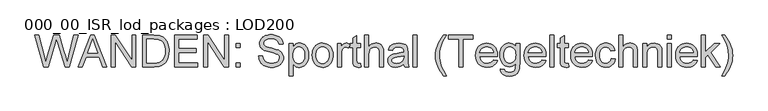
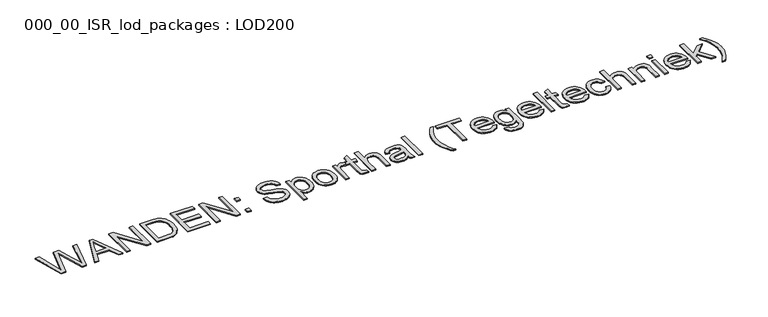
"""IFC4 building model written with IfcOpenShell, lengths in millimetres: proxy geometry, 000_00_ISR_lod_packages : LOD200."""

from ifc_helpers import new_model, si_unit, origin, origin_with_axes, place, context, project, spatial, polyline, outline, extrude, source, transform, mapped, element, save


def proxy_000_00_isr_lod_packages_lod200_6497121a(model_context):
    return source(origin(), model_context, "Body", "SweptSolid", [
        extrude(outline(polyline([(730.4878058, 500.0), (512.4904484, 1299.3886983), (615.5366478, 1299.3886983), (742.002438, 774.009212), (781.0350893, 611.8285459), (822.8000261, 755.2735394), (981.2725904, 1299.3886983), (1129.7918285, 1299.3886983), (1244.9381498, 904.9637571), (1294.2656629, 758.5913148), (1330.6148194, 611.8285459), (1368.4764911, 769.3252939), (1496.1132608, 1299.3886983), (1599.1594602, 1299.3886983), (1380.9669395, 500.0), (1274.2126383, 500.0), (1082.5623204, 1116.7158903), (1055.8249543, 1202.7828864), (1025.7698128, 1099.1511972), (851.0986983, 500.0), (730.4878058, 500.0)])), origin_with_axes(), (0.0, 0.0, 1.0), 25.0),
        extrude(outline(polyline([(1605.9901742, 500.0), (1925.0820985, 1299.3886983), (2010.1732783, 1299.3886983), (2329.2652025, 500.0), (2223.6818808, 500.0), (2132.1503135, 749.8089682), (1802.9098999, 749.8089682), (1711.5734959, 500.0), (1605.9901742, 500.0)]), holes=[polyline([(1839.6005921, 849.7325555), (2095.6547846, 849.7325555), (2023.639543, 1046.2619548), (1967.6276884, 1199.465111), (1917.861058, 1063.4363213), (1839.6005921, 849.7325555)])]), origin_with_axes(), (0.0, 0.0, 1.0), 25.0),
        extrude(outline(polyline([(2436.0195038, 500.0), (2436.0195038, 1299.3886983), (2542.9689683, 1299.3886983), (2960.6183371, 666.0839312), (2960.6183371, 1299.3886983), (3060.5419244, 1299.3886983), (3060.5419244, 500.0), (2953.5924599, 500.0), (2535.9430911, 1133.4999304), (2535.9430911, 500.0), (2436.0195038, 500.0)])), origin_with_axes(), (0.0, 0.0, 1.0), 25.0),
        extrude(outline(polyline([(3235.4082021, 500.0), (3235.4082021, 1299.3886983), (3511.1738835, 1299.3886983), (3593.5815685, 1296.5100403), (3653.8382239, 1287.8740662), (3686.9427913, 1278.3720552), (3717.5590272, 1265.6742458), (3745.6869315, 1249.7806381), (3771.3265043, 1230.6912321), (3800.9547262, 1202.099815), (3826.6064967, 1169.8002961), (3848.2818159, 1133.7926753), (3865.9806837, 1094.0769526), (3879.7274955, 1051.0190591), (3889.5466469, 1004.984926), (3895.4381377, 955.9745532), (3897.401968, 903.9879408), (3892.0837692, 818.1892942), (3876.129173, 742.6855094), (3851.8313476, 678.4036118), (3821.4834612, 626.2706269), (3786.5492383, 585.1155752), (3748.4924033, 553.7674771), (3704.8002293, 530.5186542), (3652.9599893, 513.661428), (3592.8741017, 503.415357), (3524.4449849, 500.0), (3235.4082021, 500.0)]), holes=[polyline([(3335.3317894, 599.9235873), (3512.1496998, 599.9235873), (3585.2871301, 603.5341075), (3640.7622857, 614.3656683), (3682.6248043, 631.7839889), (3714.9243232, 655.1547889), (3733.3611521, 675.1895169), (3749.6389874, 698.4078456), (3763.7578293, 724.8097749), (3775.7176776, 754.3953048), (3785.2379852, 787.2254238), (3792.0382049, 823.3611205), (3797.4783807, 905.5492469), (3794.8131824, 963.5615248), (3786.8175878, 1014.450344), (3773.4915967, 1058.2157042), (3754.8352091, 1094.8576056), (3732.3609404, 1125.205492), (3707.5813057, 1150.0888072), (3680.496305, 1169.5075512), (3651.1059383, 1183.461724), (3625.7103196, 1190.4632058), (3593.6303593, 1195.4642643), (3509.4174142, 1199.465111), (3335.3317894, 1199.465111), (3335.3317894, 599.9235873)])]), origin_with_axes(), (0.0, 0.0, 1.0), 25.0),
        extrude(outline(polyline([(4034.7969005, 500.0), (4034.7969005, 1299.3886983), (4609.3575274, 1299.3886983), (4609.3575274, 1199.465111), (4134.7204878, 1199.465111), (4134.7204878, 962.1465912), (4584.3766306, 962.1465912), (4584.3766306, 862.2230039), (4134.7204878, 862.2230039), (4134.7204878, 599.9235873), (4621.8479758, 599.9235873), (4621.8479758, 500.0), (4034.7969005, 500.0)])), origin_with_axes(), (0.0, 0.0, 1.0), 25.0),
        extrude(outline(polyline([(4771.7333568, 500.0), (4771.7333568, 1299.3886983), (4878.6828213, 1299.3886983), (5296.3321901, 666.0839312), (5296.3321901, 1299.3886983), (5396.2557773, 1299.3886983), (5396.2557773, 500.0), (5289.3063128, 500.0), (4871.6569441, 1133.4999304), (4871.6569441, 500.0), (4771.7333568, 500.0)])), origin_with_axes(), (0.0, 0.0, 1.0), 25.0),
        extrude(outline(polyline([(5583.6125035, 500.0), (5583.6125035, 599.9235873), (5683.5360908, 599.9235873), (5683.5360908, 500.0), (5583.6125035, 500.0)])), origin_with_axes(), (0.0, 0.0, 1.0), 25.0),
        extrude(outline(polyline([(5583.6125035, 987.1274881), (5583.6125035, 1087.0510753), (5683.5360908, 1087.0510753), (5683.5360908, 987.1274881), (5583.6125035, 987.1274881)])), origin_with_axes(), (0.0, 0.0, 1.0), 25.0),
        extrude(outline(polyline([(6158.1731305, 774.7898651), (6258.0967177, 774.7898651), (6269.5625591, 719.3391048), (6278.7718252, 695.6938565), (6290.2986551, 674.7686961), (6304.7285383, 656.1428028), (6322.6469648, 639.3953559), (6344.0539345, 624.5263553), (6368.9494474, 611.5358011), (6396.4186757, 600.9908864), (6425.5467918, 593.4588044), (6488.7796868, 587.4331389), (6544.4500057, 591.99508), (6593.192029, 605.6809034), (6632.6881931, 627.3440248), (6648.0999915, 640.7371033), (6660.6209341, 655.8378603), (6677.2342063, 688.5521011), (6682.7719637, 722.8764388), (6678.6247445, 756.3225419), (6666.1830869, 785.2310993), (6655.7174573, 798.0569845), (6640.9094452, 809.8948558), (6598.2662737, 830.6065564), (6545.4990082, 846.2928031), (6452.772066, 868.760973), (6357.2640474, 894.0102193), (6296.1535527, 918.0396953), (6269.4710763, 933.9576984), (6246.4113178, 951.6565662), (6226.9742772, 971.1362987), (6211.1599546, 992.396896), (6198.9073614, 1015.2187993), (6190.1555091, 1039.38245), (6184.9043977, 1064.887848), (6183.1540273, 1091.7349935), (6185.3191197, 1121.4912913), (6191.8143968, 1150.259575), (6202.6398587, 1178.0398448), (6217.7955053, 1204.8321006), (6237.1105688, 1229.5446479), (6260.4142814, 1251.0857924), (6287.7066431, 1269.4555339), (6318.9876538, 1284.6538725), (6353.2022121, 1296.56493), (6389.2952169, 1305.0728282), (6427.266668, 1310.1775671), (6467.1165654, 1311.8791468), (6510.5891808, 1310.098282), (6551.4270922, 1304.7556879), (6589.6302996, 1295.8513643), (6625.1988031, 1283.3853113), (6657.4739266, 1267.4673082), (6685.7969942, 1248.2071343), (6710.1680059, 1225.6047897), (6730.5869616, 1199.6602743), (6746.8952912, 1171.1298458), (6758.9344246, 1140.7697617), (6766.7043617, 1108.5800221), (6770.2051026, 1074.5606269), (6670.2815153, 1074.5606269), (6663.5971738, 1106.445424), (6651.9361692, 1134.1830018), (6635.2985016, 1157.7733604), (6613.684171, 1177.2164998), (6586.6906531, 1192.4148384), (6553.9154237, 1203.2707945), (6515.3584828, 1209.7843682), (6471.0198305, 1211.9555595), (6425.2662446, 1209.8087636), (6386.1726048, 1203.3683762), (6353.7389111, 1192.6343971), (6327.9651635, 1177.6068263), (6308.3268609, 1159.5420274), (6294.2995018, 1139.6963638), (6285.8830864, 1118.0698354), (6283.0776146, 1094.6624423), (6285.0658402, 1074.5240338), (6291.0305173, 1056.2640716), (6300.9716456, 1039.8825558), (6314.8892254, 1025.3794863), (6336.7963009, 1011.6448721), (6371.2914065, 997.7638855), (6478.0457077, 969.562795), (6588.215366, 942.776638), (6654.8636181, 919.4058381), (6685.4981505, 902.3412508), (6711.8268935, 883.1542632), (6733.8498473, 861.8448751), (6751.5670116, 838.4130867), (6765.1857476, 812.9808748), (6774.9134162, 785.6702166), (6780.7500173, 756.4811121), (6782.695551, 725.4135612), (6780.4572724, 694.1569459), (6773.7424366, 663.8151584), (6762.5510437, 634.3881986), (6746.8830935, 605.8760666), (6727.0130344, 579.3826546), (6703.2153149, 556.0118546), (6675.4899347, 535.7636667), (6643.8368941, 518.638091), (6609.1771195, 505.019355), (6572.4315376, 495.2916864), (6533.6001485, 489.4550853), (6492.682952, 487.5095516), (6441.5684753, 489.6075566), (6394.7841835, 495.9015716), (6352.3300763, 506.3915966), (6314.206154, 521.0776317), (6280.18066, 539.9840722), (6250.021838, 563.1353135), (6223.7296881, 590.5313556), (6201.3042101, 622.1721985), (6183.2394112, 657.0332352), (6170.0292983, 694.0898585), (6161.6738714, 733.3420685), (6158.1731305, 774.7898651)])), origin_with_axes(), (0.0, 0.0, 1.0), 25.0),
        extrude(outline(polyline([(6920.0904836, 275.1719286), (6920.0904836, 1087.0510753), (7020.0140709, 1087.0510753), (7020.0140709, 989.0791206), (7052.6063347, 1037.406422), (7070.366191, 1056.3921475), (7089.1018636, 1071.925923), (7109.3500515, 1084.0077483), (7131.6474535, 1092.6376236), (7155.9940698, 1097.8155487), (7182.3899002, 1099.5415238), (7217.2387392, 1097.1263785), (7249.9651777, 1089.8809426), (7280.5692159, 1077.8052161), (7309.0508536, 1060.899199), (7334.7880081, 1039.6020086), (7357.1585963, 1014.3527623), (7376.1626184, 985.1514601), (7391.8000744, 951.9981019), (7404.0099756, 916.0270742), (7412.7313336, 878.3727634), (7417.9641484, 839.0351695), (7419.70842, 798.0142926), (7417.7384909, 754.1574495), (7411.8287035, 712.5571817), (7401.9790579, 673.2134889), (7388.1895541, 636.1263714), (7370.6492564, 602.2655464), (7349.5472293, 572.6007314), (7324.8834728, 547.1319264), (7296.6579868, 525.8591315), (7266.2552108, 509.0811903), (7235.059584, 497.0969466), (7203.0711065, 489.9064003), (7170.2897783, 487.5095516), (7146.7055185, 489.1135496), (7124.3532268, 493.9255436), (7103.2329032, 501.9455337), (7083.3445476, 513.1735198), (7048.2395568, 542.2284496), (7020.0140709, 578.0653026), (7020.0140709, 275.1719286), (6920.0904836, 275.1719286)]), holes=[polyline([(7020.0140709, 788.8416195), (7022.7158622, 740.685086), (7030.8212362, 699.2616848), (7044.3301928, 664.571416), (7063.2427322, 636.6142795), (7086.0097458, 615.0975305), (7111.0821254, 599.728424), (7138.459871, 590.5069602), (7168.1429825, 587.4331389), (7198.2530136, 590.6167395), (7226.1308651, 600.1675414), (7251.7765367, 616.0855445), (7275.1900286, 638.3707488), (7294.7002554, 667.3402947), (7308.6361317, 703.3113224), (7316.9976575, 746.2838319), (7319.7848327, 796.2578233), (7317.0647448, 843.9996349), (7308.9044812, 885.3498498), (7295.3040418, 920.3084681), (7276.2634265, 948.8754898), (7253.4415232, 971.0753102), (7228.4972195, 986.9323248), (7201.4305154, 996.4465335), (7172.2414109, 999.6179365), (7143.1437891, 996.2452714), (7115.7660435, 986.1272764), (7090.1081742, 969.2639512), (7066.170181, 945.6552961), (7045.9768828, 915.6184511), (7031.5530984, 879.4705567), (7022.8988277, 837.2116129), (7020.0140709, 788.8416195)])]), origin_with_axes(), (0.0, 0.0, 1.0), 25.0),
        extrude(outline(polyline([(7507.1415589, 793.5255377), (7512.5451416, 869.5538238), (7519.2996199, 903.6250591), (7528.7558896, 935.0676894), (7540.9139505, 963.8817146), (7555.7738029, 990.0671346), (7573.3354465, 1013.6239495), (7593.5988815, 1034.5521594), (7631.6801119, 1062.9850063), (7673.7133983, 1083.2941827), (7719.6987406, 1095.4796885), (7769.6361388, 1099.5415238), (7824.7636599, 1094.595355), (7874.6095754, 1079.7568486), (7919.1738852, 1055.0260047), (7958.4565894, 1020.4028233), (7990.5182531, 977.0582838), (8013.4194415, 926.1633658), (8027.1601545, 867.7180694), (8031.7403922, 801.7223944), (8029.7155734, 748.2354645), (8023.641117, 700.7742001), (8013.5170231, 659.3386012), (7999.3432916, 623.9286678), (7981.2967893, 593.3429262), (7959.5543827, 566.3799026), (7934.116072, 543.0395969), (7904.9818571, 523.3220091), (7873.2861245, 507.654059), (7840.1632606, 496.462666), (7805.6132654, 489.7478302), (7769.6361388, 487.5095516), (7713.7035693, 492.4374238), (7663.3941411, 507.2210405), (7618.7078542, 531.8604016), (7579.6447087, 566.3555072), (7547.9245806, 610.1208674), (7525.2673463, 662.5709926), (7511.6730058, 723.7058827), (7507.1415589, 793.5255377)]), holes=[polyline([(7607.0651462, 793.7207009), (7609.9560019, 745.253126), (7618.6285691, 703.286927), (7633.0828478, 667.822104), (7653.318838, 638.858657), (7677.9338037, 616.3599928), (7705.5250091, 600.2895184), (7736.0924541, 590.6472338), (7769.6361388, 587.4331389), (7803.0090557, 590.6655303), (7833.4545237, 600.3627046), (7860.9725428, 616.5246618), (7885.5631131, 639.1514018), (7905.7991033, 668.4014949), (7920.253382, 704.4335111), (7928.9259492, 747.2474505), (7931.8168049, 796.843313), (7928.9076526, 843.7739774), (7920.1801957, 884.642383), (7905.6344343, 919.44853), (7885.2703682, 948.1924184), (7860.5883152, 970.6910825), (7833.0885926, 986.7615569), (7802.7712004, 996.4038416), (7769.6361388, 999.6179365), (7736.0924541, 996.4160393), (7705.5250091, 986.8103478), (7677.9338037, 970.8008619), (7653.318838, 948.3875817), (7633.0828478, 919.5095186), (7618.6285691, 884.1056841), (7609.9560019, 842.1760782), (7607.0651462, 793.7207009)])]), origin_with_axes(), (0.0, 0.0, 1.0), 25.0),
        extrude(outline(polyline([(8144.1544279, 500.0), (8144.1544279, 1087.0510753), (8231.5875668, 1087.0510753), (8231.5875668, 1000.2034262), (8263.8870857, 1050.5555464), (8279.0854243, 1067.973867), (8293.6494823, 1080.2203614), (8323.5094606, 1094.7112332), (8356.1017244, 1099.5415238), (8380.8874579, 1097.6142866), (8405.8683548, 1091.8325751), (8431.0444148, 1082.1963893), (8456.4156382, 1068.7057292), (8423.0427213, 979.1257945), (8387.9133352, 994.494901), (8352.783949, 999.6179365), (8322.9483662, 994.6900642), (8296.2841863, 979.9064476), (8274.7430419, 956.3892752), (8260.2765655, 925.2607358), (8248.1276528, 869.4440444), (8244.0780152, 808.5531084), (8244.0780152, 500.0), (8144.1544279, 500.0)])), origin_with_axes(), (0.0, 0.0, 1.0), 25.0),
        extrude(outline(polyline([(8731.2055032, 583.3347105), (8743.6959517, 497.0725512), (8704.1266014, 489.9003015), (8668.9484244, 487.5095516), (8620.9870542, 491.6567708), (8585.2233874, 504.0984284), (8559.9497457, 523.2732183), (8543.4584506, 547.6198346), (8534.3833591, 589.4335623), (8531.3583287, 661.0096866), (8531.3583287, 987.1274881), (8456.4156382, 987.1274881), (8456.4156382, 1087.0510753), (8531.3583287, 1087.0510753), (8531.3583287, 1229.7154158), (8631.2819159, 1288.459556), (8631.2819159, 1087.0510753), (8731.2055032, 1087.0510753), (8731.2055032, 987.1274881), (8631.2819159, 987.1274881), (8631.2819159, 663.9371354), (8632.5992679, 631.0521267), (8636.5513239, 612.4140357), (8643.4552241, 602.0947785), (8653.6281088, 594.1662712), (8668.0457944, 589.116422), (8687.6840971, 587.4331389), (8731.2055032, 583.3347105)])), origin_with_axes(), (0.0, 0.0, 1.0), 25.0),
        extrude(outline(polyline([(8831.1290905, 500.0), (8831.1290905, 1299.3886983), (8931.0526778, 1299.3886983), (8931.0526778, 1005.4728342), (8967.7555677, 1046.6278859), (9008.971608, 1076.0243514), (9054.7007985, 1093.6622307), (9104.9431393, 1099.5415238), (9136.181458, 1097.9375257), (9165.2973764, 1093.1255317), (9192.2908943, 1085.1055416), (9217.1620118, 1073.8775555), (9239.2764482, 1059.8197022), (9257.9999232, 1043.3101105), (9273.3324365, 1024.3487804), (9285.2739882, 1002.9357118), (9294.2393003, 977.747454), (9300.6430947, 947.4605562), (9305.7661302, 871.5908402), (9305.7661302, 500.0), (9205.8425429, 500.0), (9205.8425429, 861.2471877), (9203.8543172, 894.9860356), (9197.8896402, 923.7970113), (9187.9485118, 947.6801148), (9174.0309321, 966.6353461), (9156.466239, 981.0652294), (9135.5837706, 991.3722889), (9111.3835268, 997.5565246), (9083.8655076, 999.6179365), (9041.637058, 994.0557837), (9001.9945215, 977.3693252), (8984.1980721, 965.2570056), (8969.1583036, 951.1686581), (8956.8752162, 935.1042825), (8947.3488097, 917.063879), (8935.1267108, 871.7372127), (8931.0526778, 811.8708838), (8931.0526778, 500.0), (8831.1290905, 500.0)])), origin_with_axes(), (0.0, 0.0, 1.0), 25.0),
        extrude(outline(polyline([(9817.874515, 574.9426905), (9770.1327034, 534.0071974), (9745.7311975, 518.8454519), (9720.9759582, 507.2210405), (9669.2820907, 492.4374238), (9613.9289121, 487.5095516), (9569.4377885, 490.4735935), (9530.4234337, 499.3657194), (9496.8858479, 514.1859292), (9468.8250309, 534.9342229), (9446.6679025, 560.2932485), (9430.8413821, 588.9456541), (9421.3454699, 620.8914397), (9418.1801659, 656.1306051), (9422.9616657, 697.5540063), (9437.306165, 735.171724), (9459.4327992, 767.3736613), (9487.5607035, 792.5497214), (9520.6164801, 811.5781389), (9557.526731, 825.3371485), (9643.9840536, 840.3647192), (9746.1520183, 856.172943), (9817.2890253, 874.7134523), (9817.874515, 896.9620636), (9816.1546389, 921.1867028), (9810.9950103, 941.5568677), (9802.3956293, 958.0725583), (9790.3564959, 970.7337745), (9769.5472137, 983.3705954), (9744.2003857, 992.396896), (9714.3160121, 997.8126763), (9679.8940928, 999.6179365), (9620.3692995, 994.8120413), (9597.3400353, 988.8046723), (9578.7995259, 980.3943557), (9563.5645942, 968.9224155), (9550.4520629, 953.7301758), (9539.461932, 934.8176365), (9530.5942016, 912.1847976), (9430.6706143, 924.675246), (9448.0157487, 979.3209578), (9459.8902131, 1002.2526404), (9473.8992756, 1022.2568742), (9490.6467225, 1039.7361834), (9510.7363402, 1055.0930921), (9534.1681287, 1068.3276004), (9560.942088, 1079.4397083), (9622.3453275, 1094.5160699), (9692.7748677, 1099.5415238), (9760.3257498, 1095.1015597), (9813.8736683, 1081.7816674), (9854.248067, 1061.7530382), (9882.2783897, 1037.1868633), (9900.8676898, 1006.8145815), (9912.9190209, 969.3676317), (9916.578332, 934.8237353), (9917.7981023, 881.9344928), (9917.7981023, 757.6154985), (9919.0666635, 649.3242866), (9922.872347, 584.0177819), (9930.3861324, 541.1062609), (9942.7789992, 500.0), (9842.8554119, 500.0), (9826.8520248, 534.7390596), (9817.874515, 574.9426905)]), holes=[polyline([(9817.874515, 774.7898651), (9750.7383548, 758.1521974), (9656.6696652, 744.1492338), (9604.8294252, 736.489076), (9570.7002508, 727.9506835), (9548.3296625, 716.8751687), (9531.7651811, 701.6036439), (9521.5191102, 683.3070886), (9518.1037532, 663.1564824), (9519.963903, 647.6288058), (9525.5443523, 633.4428766), (9534.8451013, 620.5986948), (9547.8661498, 609.0962603), (9564.4855208, 599.6186447), (9584.5812374, 592.8489192), (9635.201707, 587.4331389), (9688.8716025, 593.4100136), (9713.3645912, 600.881107), (9736.2962739, 611.3406378), (9774.7434354, 637.7608636), (9801.4808015, 669.2065433), (9813.3369693, 701.6036439), (9817.2890253, 746.4911929), (9817.874515, 774.7898651)])]), origin_with_axes(), (0.0, 0.0, 1.0), 25.0),
        extrude(outline(polyline([(10055.1930349, 500.0), (10055.1930349, 1299.3886983), (10155.1166222, 1299.3886983), (10155.1166222, 500.0), (10055.1930349, 500.0)])), origin_with_axes(), (0.0, 0.0, 1.0), 25.0),
        extrude(outline(polyline([(10817.110388, 275.1719286), (10776.7725824, 327.365902), (10739.679366, 383.8290716), (10705.8307387, 444.5614375), (10675.2267006, 509.5629996), (10649.8676749, 577.309045), (10631.7540852, 646.2748607), (10620.8859313, 716.4604468), (10617.2632134, 787.8658032), (10619.9711036, 850.6229879), (10628.0947741, 912.0384251), (10641.634225, 972.112115), (10660.5894563, 1030.8440575), (10689.400432, 1098.1997764), (10725.0909126, 1165.4091228), (10767.6608979, 1232.4720968), (10817.110388, 1299.3886983), (10892.0530784, 1299.3886983), (10833.2601474, 1204.3929833), (10798.5698786, 1141.1112974), (10766.6606862, 1065.9734437), (10742.3628608, 987.7129778), (10723.4808157, 887.7405997), (10717.1868007, 787.2803135), (10719.9190863, 723.2240734), (10728.115943, 659.180031), (10741.777371, 595.1481864), (10760.9033701, 531.1285394), (10785.4939404, 467.1210901), (10815.5490819, 403.1258386), (10851.0687946, 339.1427847), (10892.0530784, 275.1719286), (10817.110388, 275.1719286)])), origin_with_axes(), (0.0, 0.0, 1.0), 25.0),
        extrude(outline(polyline([(11204.3142887, 500.0), (11204.3142887, 1199.465111), (10942.0148721, 1199.465111), (10942.0148721, 1299.3886983), (11566.5372927, 1299.3886983), (11566.5372927, 1199.465111), (11304.237876, 1199.465111), (11304.237876, 500.0), (11204.3142887, 500.0)])), origin_with_axes(), (0.0, 0.0, 1.0), 25.0),
        extrude(outline(polyline([(12077.474698, 674.8662778), (12175.4466527, 662.3758294), (12160.4251808, 623.1358171), (12140.1464987, 588.5553276), (12114.6106064, 558.6343609), (12083.8175038, 533.3729168), (12048.0843314, 513.3076945), (12007.7282292, 498.9753929), (11962.7491975, 490.3760119), (11913.1472361, 487.5095516), (11851.1463091, 492.4557204), (11795.9029098, 507.2942267), (11747.4170383, 532.0250706), (11705.6886945, 566.6482521), (11672.1328121, 610.2001525), (11648.1643247, 661.7171534), (11633.7832322, 721.1992546), (11628.9895347, 788.6464563), (11633.832023, 858.3807273), (11648.3594879, 919.8449554), (11672.5719294, 973.0391405), (11688.3100164, 996.5349669), (11706.4693475, 1017.9632826), (11748.087912, 1053.6537631), (11795.4637925, 1079.1469635), (11848.596989, 1094.4428837), (11907.4875017, 1099.5415238), (11964.4812714, 1094.4550814), (12016.0226676, 1079.1957543), (12062.1116904, 1053.7635424), (12102.7483397, 1018.1584458), (12135.9199945, 973.3318854), (12159.6140336, 920.2352819), (12173.830457, 858.8686355), (12178.5692648, 789.231946), (12177.9837751, 762.2994166), (11728.913122, 762.2994166), (11734.7009323, 722.4251238), (11746.2094656, 687.5030986), (11763.4387219, 657.5333411), (11786.388701, 632.5158511), (11813.790842, 612.7921645), (11844.3765836, 598.7038169), (11878.1459258, 590.2508084), (11915.0988687, 587.4331389), (11968.280856, 592.653756), (12013.0708234, 608.3156073), (12032.3187996, 620.3059499), (12049.4687707, 635.3945091), (12064.5207369, 653.5812851), (12077.474698, 674.8662778)]), holes=[polyline([(11728.913122, 862.2230039), (12078.6456775, 862.2230039), (12073.5104444, 890.4972807), (12065.130622, 915.0146648), (12053.5062106, 935.7751562), (12038.63721, 952.7787549), (12011.3875403, 973.2708968), (11980.3809779, 987.9081411), (11945.6175229, 996.6904876), (11907.0971751, 999.6179365), (11871.9616901, 997.2820762), (11839.7414563, 990.2744956), (11810.4364735, 978.5951944), (11784.046742, 962.2441729), (11761.9018112, 941.9776884), (11745.331231, 918.5519988), (11734.3350012, 891.967104), (11728.913122, 862.2230039)])]), origin_with_axes(), (0.0, 0.0, 1.0), 25.0),
        extrude(outline(polyline([(12253.5119553, 450.0382064), (12353.4355426, 437.5477579), (12357.655948, 420.7149271), (12364.4622666, 406.3216369), (12373.8544983, 394.3678875), (12385.8326432, 384.8536787), (12405.2147941, 375.1199113), (12427.8415341, 368.1672203), (12482.8287816, 362.6050675), (12514.0305072, 364.1785712), (12541.4753402, 368.8990825), (12565.1632804, 376.7666013), (12585.094328, 387.7811276), (12601.6832048, 401.6377188), (12615.3446327, 418.0314323), (12626.0786118, 436.9622682), (12633.8851421, 458.4302264), (12639.3009225, 501.4149336), (12640.7158561, 574.9426905), (12607.4649163, 542.1552634), (12570.3595021, 518.7356726), (12529.3996137, 504.6839182), (12484.5852509, 500.0), (12429.7992655, 505.4523735), (12381.5634469, 521.8094939), (12359.9018502, 534.0773342), (12339.8777951, 549.0713613), (12304.7423101, 587.2379756), (12276.8644587, 633.0281547), (12256.9517077, 683.1607162), (12245.0040571, 737.6356601), (12241.0215069, 796.4529865), (12242.8084705, 837.6019394), (12248.1693612, 877.1285976), (12257.104179, 915.0329614), (12269.612924, 951.3150305), (12285.5065317, 984.7672324), (12304.5959377, 1014.1819945), (12326.881142, 1039.5593167), (12352.3621447, 1060.899199), (12380.6303226, 1077.8052161), (12411.2770527, 1089.8809426), (12444.302335, 1097.1263785), (12479.7061695, 1099.5415238), (12526.4355717, 1094.0769526), (12568.8469869, 1077.683239), (12606.940415, 1050.3603831), (12640.7158561, 1012.1083849), (12640.7158561, 1087.0510753), (12740.6394434, 1087.0510753), (12740.6394434, 580.2120984), (12738.9317649, 516.704755), (12733.8087294, 463.1873308), (12725.2703369, 419.6598257), (12713.3165875, 386.1222399), (12697.660835, 359.0738323), (12678.0164335, 335.0138621), (12654.3833829, 313.9423293), (12626.7616832, 295.8592338), (12595.4318817, 281.3439666), (12560.6745255, 270.9759186), (12522.4896146, 264.7550898), (12480.8771491, 262.6814802), (12431.9216659, 265.6028302), (12387.9062528, 274.3668802), (12348.8309095, 288.9736301), (12314.6956362, 309.4230801), (12287.1227274, 335.7396255), (12267.7344776, 367.9476616), (12256.5308869, 406.0471886), (12253.5119553, 450.0382064)]), holes=[polyline([(12340.9450942, 803.2837005), (12343.6102924, 753.8769024), (12351.6058871, 711.6301562), (12364.9318782, 676.543462), (12383.5882657, 648.6168198), (12406.2698954, 627.3135306), (12431.671613, 612.0968954), (12459.7934185, 602.9669143), (12490.6353119, 599.9235873), (12521.1722627, 602.9486178), (12549.1598934, 612.0237092), (12574.5982041, 627.1488616), (12597.4871948, 648.3240749), (12616.3997341, 675.9762688), (12629.9086907, 710.5323629), (12638.0140647, 751.9923572), (12640.7158561, 800.3562516), (12637.9347797, 846.7014262), (12629.5915505, 886.9843421), (12615.6861684, 921.2049993), (12596.2186336, 949.3633979), (12572.8356359, 971.3497585), (12547.1838654, 987.0543018), (12519.2633221, 996.4770278), (12489.0740058, 999.6179365), (12459.3908943, 996.5258186), (12432.0131487, 987.2494651), (12406.9407691, 971.7888759), (12384.1737555, 950.144051), (12365.2612162, 922.412572), (12351.7522595, 888.6920206), (12343.6468855, 848.9823968), (12340.9450942, 803.2837005)])]), origin_with_axes(), (0.0, 0.0, 1.0), 25.0),
        extrude(outline(polyline([(13301.5386423, 674.8662778), (13399.5105971, 662.3758294), (13384.4891252, 623.1358171), (13364.2104431, 588.5553276), (13338.6745507, 558.6343609), (13307.8814482, 533.3729168), (13272.1482757, 513.3076945), (13231.7921736, 498.9753929), (13186.8131418, 490.3760119), (13137.2111804, 487.5095516), (13075.2102534, 492.4557204), (13019.9668541, 507.2942267), (12971.4809826, 532.0250706), (12929.7526388, 566.6482521), (12896.1967564, 610.2001525), (12872.228269, 661.7171534), (12857.8471766, 721.1992546), (12853.0534791, 788.6464563), (12857.8959674, 858.3807273), (12872.4234323, 919.8449554), (12896.6358738, 973.0391405), (12912.3739607, 996.5349669), (12930.5332919, 1017.9632826), (12972.1518563, 1053.6537631), (13019.5277368, 1079.1469635), (13072.6609334, 1094.4428837), (13131.551446, 1099.5415238), (13188.5452157, 1094.4550814), (13240.086612, 1079.1957543), (13286.1756348, 1053.7635424), (13326.8122841, 1018.1584458), (13359.9839388, 973.3318854), (13383.6779779, 920.2352819), (13397.8944014, 858.8686355), (13402.6332092, 789.231946), (13402.0477194, 762.2994166), (12952.9770664, 762.2994166), (12958.7648767, 722.4251238), (12970.27341, 687.5030986), (12987.5026662, 657.5333411), (13010.4526454, 632.5158511), (13037.8547864, 612.7921645), (13068.4405279, 598.7038169), (13102.2098702, 590.2508084), (13139.162813, 587.4331389), (13192.3448004, 592.653756), (13237.1347677, 608.3156073), (13256.3827439, 620.3059499), (13273.532715, 635.3945091), (13288.5846812, 653.5812851), (13301.5386423, 674.8662778)]), holes=[polyline([(12952.9770664, 862.2230039), (13302.7096219, 862.2230039), (13297.5743887, 890.4972807), (13289.1945664, 915.0146648), (13277.5701549, 935.7751562), (13262.7011543, 952.7787549), (13235.4514846, 973.2708968), (13204.4449223, 987.9081411), (13169.6814672, 996.6904876), (13131.1611195, 999.6179365), (13096.0256345, 997.2820762), (13063.8054006, 990.2744956), (13034.5004179, 978.5951944), (13008.1106863, 962.2441729), (12985.9657555, 941.9776884), (12969.3951753, 918.5519988), (12958.3989456, 891.967104), (12952.9770664, 862.2230039)])]), origin_with_axes(), (0.0, 0.0, 1.0), 25.0),
        extrude(outline(polyline([(13502.5567965, 500.0), (13502.5567965, 1299.3886983), (13602.4803838, 1299.3886983), (13602.4803838, 500.0), (13502.5567965, 500.0)])), origin_with_axes(), (0.0, 0.0, 1.0), 25.0),
        extrude(outline(polyline([(13964.7033877, 583.3347105), (13977.1938361, 497.0725512), (13937.6244859, 489.9003015), (13902.4463089, 487.5095516), (13854.4849386, 491.6567708), (13818.7212719, 504.0984284), (13793.4476302, 523.2732183), (13776.956335, 547.6198346), (13767.8812436, 589.4335623), (13764.8562131, 661.0096866), (13764.8562131, 987.1274881), (13689.9135226, 987.1274881), (13689.9135226, 1087.0510753), (13764.8562131, 1087.0510753), (13764.8562131, 1229.7154158), (13864.7798004, 1288.459556), (13864.7798004, 1087.0510753), (13964.7033877, 1087.0510753), (13964.7033877, 987.1274881), (13864.7798004, 987.1274881), (13864.7798004, 663.9371354), (13866.0971524, 631.0521267), (13870.0492083, 612.4140357), (13876.9531085, 602.0947785), (13887.1259933, 594.1662712), (13901.5436788, 589.116422), (13921.1819815, 587.4331389), (13964.7033877, 583.3347105)])), origin_with_axes(), (0.0, 0.0, 1.0), 25.0),
        extrude(outline(polyline([(14475.640793, 674.8662778), (14573.6127478, 662.3758294), (14558.5912759, 623.1358171), (14538.3125938, 588.5553276), (14512.7767014, 558.6343609), (14481.9835989, 533.3729168), (14446.2504264, 513.3076945), (14405.8943243, 498.9753929), (14360.9152925, 490.3760119), (14311.3133311, 487.5095516), (14249.3124041, 492.4557204), (14194.0690048, 507.2942267), (14145.5831333, 532.0250706), (14103.8547895, 566.6482521), (14070.2989071, 610.2001525), (14046.3304197, 661.7171534), (14031.9493272, 721.1992546), (14027.1556298, 788.6464563), (14031.9981181, 858.3807273), (14046.525583, 919.8449554), (14070.7380245, 973.0391405), (14086.4761114, 996.5349669), (14104.6354426, 1017.9632826), (14146.254007, 1053.6537631), (14193.6298875, 1079.1469635), (14246.7630841, 1094.4428837), (14305.6535967, 1099.5415238), (14362.6473664, 1094.4550814), (14414.1887627, 1079.1957543), (14460.2777854, 1053.7635424), (14500.9144347, 1018.1584458), (14534.0860895, 973.3318854), (14557.7801286, 920.2352819), (14571.996552, 858.8686355), (14576.7353599, 789.231946), (14576.1498701, 762.2994166), (14127.079217, 762.2994166), (14132.8670274, 722.4251238), (14144.3755607, 687.5030986), (14161.6048169, 657.5333411), (14184.5547961, 632.5158511), (14211.956937, 612.7921645), (14242.5426786, 598.7038169), (14276.3120208, 590.2508084), (14313.2649637, 587.4331389), (14366.4469511, 592.653756), (14411.2369184, 608.3156073), (14430.4848946, 620.3059499), (14447.6348657, 635.3945091), (14462.6868319, 653.5812851), (14475.640793, 674.8662778)]), holes=[polyline([(14127.079217, 862.2230039), (14476.8117726, 862.2230039), (14471.6765394, 890.4972807), (14463.2967171, 915.0146648), (14451.6723056, 935.7751562), (14436.803305, 952.7787549), (14409.5536353, 973.2708968), (14378.547073, 987.9081411), (14343.7836179, 996.6904876), (14305.2632702, 999.6179365), (14270.1277852, 997.2820762), (14237.9075513, 990.2744956), (14208.6025686, 978.5951944), (14182.212837, 962.2441729), (14160.0679062, 941.9776884), (14143.497326, 918.5519988), (14132.5010963, 891.967104), (14127.079217, 862.2230039)])]), origin_with_axes(), (0.0, 0.0, 1.0), 25.0),
        extrude(outline(polyline([(15051.3723995, 712.337623), (15151.2959868, 699.8471746), (15140.427833, 652.6969516), (15123.4364319, 610.9747067), (15100.3217838, 574.6804398), (15071.0838884, 543.8141511), (15036.9547139, 519.1808888), (14999.1662284, 501.5857015), (14957.7184318, 491.0285891), (14912.6113242, 487.5095516), (14856.5689753, 492.4191273), (14806.3205357, 507.1478543), (14761.8660051, 531.6957326), (14723.2053838, 566.0627623), (14691.9121754, 609.602465), (14669.5598837, 661.6683625), (14656.1485087, 722.2604548), (14651.6780503, 791.3787419), (14653.5869909, 837.3213922), (14659.3138127, 880.3000006), (14668.8585158, 920.314567), (14682.2211, 957.3650914), (14699.4930482, 990.707514), (14720.7658431, 1019.5977748), (14746.0394848, 1044.0358739), (14775.3139733, 1064.0218111), (14807.2658577, 1079.5616854), (14840.5716872, 1090.6615956), (14875.2314617, 1097.3215417), (14911.2451814, 1099.5415238), (14955.5777349, 1096.4920979), (14995.6776852, 1087.3438202), (15031.5450324, 1072.0966908), (15063.1797765, 1050.7507096), (15090.0452185, 1023.7937849), (15111.6046595, 991.7138246), (15127.8580995, 954.5108288), (15138.8055384, 912.1847976), (15038.8819511, 899.6943492), (15031.0815197, 923.0346549), (15020.7561637, 943.2889416), (15007.905883, 960.4572093), (14992.5306777, 974.539458), (14975.0208743, 985.5112923), (14955.7667993, 993.3483169), (14934.7684526, 998.0505316), (14912.0258344, 999.6179365), (14878.0735266, 996.5319175), (14847.4511919, 987.2738605), (14820.1588303, 971.8437655), (14796.1964417, 950.2416326), (14776.6862149, 921.9673558), (14762.7503387, 886.5208294), (14754.3888129, 843.9020532), (14751.6016376, 794.1110274), (14754.3278244, 743.5698429), (14762.5063846, 700.4570598), (14776.1373183, 664.7726781), (14795.2206254, 636.5166979), (14818.7073036, 615.0426408), (14845.5483502, 599.7040286), (14875.7437653, 590.5008613), (14909.2935488, 587.4331389), (14936.3297587, 589.3481783), (14961.0362072, 595.0932967), (14983.4128943, 604.668494), (15003.4598201, 618.0737701), (15020.6158901, 635.4554977), (15034.32001, 656.960049), (15044.5721798, 682.5874241), (15051.3723995, 712.337623)])), origin_with_axes(), (0.0, 0.0, 1.0), 25.0),
        extrude(outline(polyline([(15238.7291257, 500.0), (15238.7291257, 1299.3886983), (15338.652713, 1299.3886983), (15338.652713, 1005.4728342), (15375.3556029, 1046.6278859), (15416.5716431, 1076.0243514), (15462.3008336, 1093.6622307), (15512.5431745, 1099.5415238), (15543.7814932, 1097.9375257), (15572.8974115, 1093.1255317), (15599.8909294, 1085.1055416), (15624.7620469, 1073.8775555), (15646.8764834, 1059.8197022), (15665.5999583, 1043.3101105), (15680.9324716, 1024.3487804), (15692.8740234, 1002.9357118), (15701.8393355, 977.747454), (15708.2431298, 947.4605562), (15713.3661653, 871.5908402), (15713.3661653, 500.0), (15613.442578, 500.0), (15613.442578, 861.2471877), (15611.4543524, 894.9860356), (15605.4896753, 923.7970113), (15595.548547, 947.6801148), (15581.6309672, 966.6353461), (15564.0662742, 981.0652294), (15543.1838057, 991.3722889), (15518.9835619, 997.5565246), (15491.4655428, 999.6179365), (15449.2370931, 994.0557837), (15409.5945567, 977.3693252), (15391.7981072, 965.2570056), (15376.7583388, 951.1686581), (15364.4752513, 935.1042825), (15354.9488449, 917.063879), (15342.726746, 871.7372127), (15338.652713, 811.8708838), (15338.652713, 500.0), (15238.7291257, 500.0)])), origin_with_axes(), (0.0, 0.0, 1.0), 25.0),
        extrude(outline(polyline([(15850.7610978, 500.0), (15850.7610978, 1087.0510753), (15950.6846851, 1087.0510753), (15950.6846851, 1005.0825076), (15967.1698815, 1027.2213395), (15985.3993494, 1046.4083272), (16005.3730889, 1062.6434706), (16027.0911, 1075.9267697), (16050.5533828, 1086.2582246), (16075.7599371, 1093.6378352), (16131.4058606, 1099.5415238), (16180.6601874, 1094.7844194), (16225.7672951, 1080.5131063), (16263.3850128, 1058.5084491), (16290.1711697, 1030.5513126), (16308.345748, 996.714883), (16320.1287296, 957.0723466), (16324.0807855, 919.161884), (16325.3981375, 860.4665346), (16325.3981375, 500.0), (16225.4745502, 500.0), (16225.4745502, 847.0002699), (16222.5958922, 898.6697421), (16213.9599181, 935.4092251), (16198.0297173, 961.7318693), (16173.2683791, 982.150825), (16141.5299545, 995.2511586), (16104.6684945, 999.6179365), (16074.3267069, 997.1661981), (16046.1439129, 989.8109828), (16020.1201125, 977.5522908), (15996.2553055, 960.3901219), (15976.3181591, 936.3728437), (15962.0773402, 903.5488235), (15953.5328489, 861.9180613), (15950.6846851, 811.4805573), (15950.6846851, 500.0), (15850.7610978, 500.0)])), origin_with_axes(), (0.0, 0.0, 1.0), 25.0),
        extrude(outline(polyline([(16462.79307, 500.0), (16462.79307, 1087.0510753), (16562.7166573, 1087.0510753), (16562.7166573, 500.0), (16462.79307, 500.0)])), origin_with_axes(), (0.0, 0.0, 1.0), 25.0),
        extrude(outline(polyline([(16462.79307, 1199.465111), (16462.79307, 1299.3886983), (16562.7166573, 1299.3886983), (16562.7166573, 1199.465111), (16462.79307, 1199.465111)])), origin_with_axes(), (0.0, 0.0, 1.0), 25.0),
        extrude(outline(polyline([(17123.6158563, 674.8662778), (17221.587811, 662.3758294), (17206.5663391, 623.1358171), (17186.287657, 588.5553276), (17160.7517647, 558.6343609), (17129.9586621, 533.3729168), (17094.2254896, 513.3076945), (17053.8693875, 498.9753929), (17008.8903558, 490.3760119), (16959.2883944, 487.5095516), (16897.2874674, 492.4557204), (16842.0440681, 507.2942267), (16793.5581966, 532.0250706), (16751.8298528, 566.6482521), (16718.2739704, 610.2001525), (16694.305483, 661.7171534), (16679.9243905, 721.1992546), (16675.130693, 788.6464563), (16679.9731813, 858.3807273), (16694.5006462, 919.8449554), (16718.7130877, 973.0391405), (16734.4511747, 996.5349669), (16752.6105058, 1017.9632826), (16794.2290703, 1053.6537631), (16841.6049508, 1079.1469635), (16894.7381473, 1094.4428837), (16953.6286599, 1099.5415238), (17010.6224297, 1094.4550814), (17062.1638259, 1079.1957543), (17108.2528487, 1053.7635424), (17148.889498, 1018.1584458), (17182.0611527, 973.3318854), (17205.7551918, 920.2352819), (17219.9716153, 858.8686355), (17224.7104231, 789.231946), (17224.1249334, 762.2994166), (16775.0542803, 762.2994166), (16780.8420906, 722.4251238), (16792.3506239, 687.5030986), (16809.5798801, 657.5333411), (16832.5298593, 632.5158511), (16859.9320003, 612.7921645), (16890.5177419, 598.7038169), (16924.2870841, 590.2508084), (16961.2400269, 587.4331389), (17014.4220143, 592.653756), (17059.2119817, 608.3156073), (17078.4599578, 620.3059499), (17095.609929, 635.3945091), (17110.6618951, 653.5812851), (17123.6158563, 674.8662778)]), holes=[polyline([(16775.0542803, 862.2230039), (17124.7868358, 862.2230039), (17119.6516026, 890.4972807), (17111.2717803, 915.0146648), (17099.6473689, 935.7751562), (17084.7783683, 952.7787549), (17057.5286986, 973.2708968), (17026.5221362, 987.9081411), (16991.7586812, 996.6904876), (16953.2383334, 999.6179365), (16918.1028484, 997.2820762), (16885.8826146, 990.2744956), (16856.5776318, 978.5951944), (16830.1879002, 962.2441729), (16808.0429695, 941.9776884), (16791.4723893, 918.5519988), (16780.4761595, 891.967104), (16775.0542803, 862.2230039)])]), origin_with_axes(), (0.0, 0.0, 1.0), 25.0),
        extrude(outline(polyline([(17324.6340104, 500.0), (17324.6340104, 1299.3886983), (17424.5575977, 1299.3886983), (17424.5575977, 869.8343709), (17648.6050161, 1087.0510753), (17786.7806016, 1087.0510753), (17560.0008977, 867.1020853), (17799.2710501, 500.0), (17682.5634227, 500.0), (17488.3759826, 797.6239661), (17424.5575977, 735.7572138), (17424.5575977, 500.0), (17324.6340104, 500.0)])), origin_with_axes(), (0.0, 0.0, 1.0), 25.0),
        extrude(outline(polyline([(17911.6850858, 275.1719286), (17836.7423953, 275.1719286), (17877.7266791, 339.1427847), (17913.2463918, 403.1258386), (17943.3015333, 467.1210901), (17967.8921036, 531.1285394), (17987.0181027, 595.1481864), (18000.6795307, 659.180031), (18008.8763875, 723.2240734), (18011.6086731, 787.2803135), (18005.314658, 887.0087375), (17986.432613, 985.9565085), (17962.5739049, 1064.3633468), (17930.8110849, 1139.5499913), (17895.9744436, 1203.5147486), (17836.7423953, 1299.3886983), (17911.6850858, 1299.3886983), (17961.1345759, 1232.4720968), (18003.7045612, 1165.4091228), (18039.3950417, 1098.1997764), (18068.2060174, 1030.8440575), (18087.1612487, 972.112115), (18100.7006996, 912.0384251), (18108.8243702, 850.6229879), (18111.5322603, 787.8658032), (18107.8912458, 716.4604468), (18096.9682023, 646.2748607), (18078.7631298, 577.309045), (18053.2760283, 509.5629996), (18022.5805074, 444.5614375), (17988.7501766, 383.8290716), (17951.7850361, 327.365902), (17911.6850858, 275.1719286)])), origin_with_axes(), (0.0, 0.0, 1.0), 25.0),
    ])


if __name__ == "__main__":
    model = new_model("IFC4")
    model_context = context("Model", 3, world=origin())
    ifc_project = project(units=[si_unit("LENGTHUNIT", "METRE", prefix="MILLI")], contexts=[model_context])
    site = spatial("IfcSite", under=ifc_project)
    building = spatial("IfcBuilding", under=site)
    placement = place(None, origin())
    proxy_000_00_isr_lod_packages_lod200_shape = proxy_000_00_isr_lod_packages_lod200_6497121a(model_context)
    element("IfcBuildingElementProxy", 1, Name="000_00_ISR_lod_packages : LOD200", ObjectType="000_00_ISR_lod_packages : LOD200", at=placement, inside=building, context=model_context, shape_type="MappedRepresentation", body=[
        mapped(proxy_000_00_isr_lod_packages_lod200_shape, transform((0.0, 0.0, 0.0), x_axis=(1.0, 0.0, 0.0), y_axis=(0.0, 1.0, 0.0), z_axis=(0.0, 0.0, 1.0))),
    ])
    save(model, "model.ifc")
